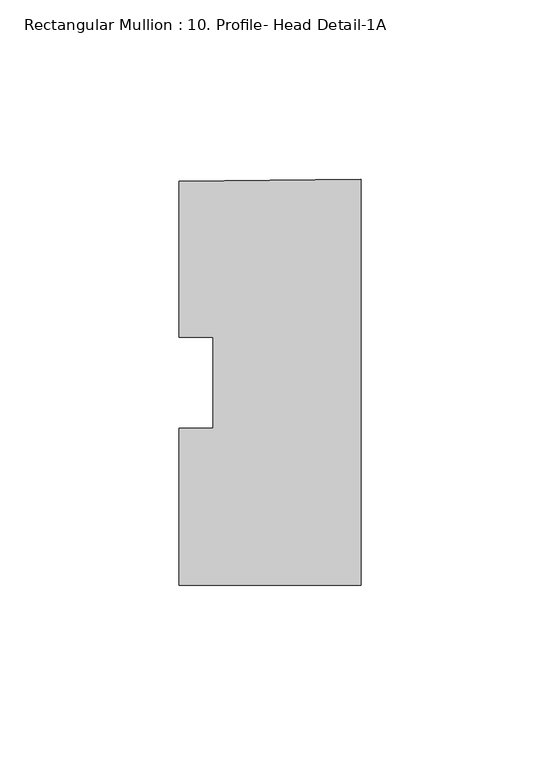
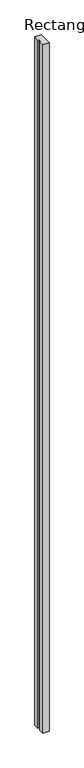
"""IFC4 building model written with IfcOpenShell, lengths in millimetres: member geometry, Rectangular Mullion : 10. Profile- Head Detail-1A."""

from ifc_helpers import new_model, si_unit, frame, origin, place, context, project, spatial, polyline, outline, extrude, source, transform, mapped, element, save


def rectangular_mullion_10_profile_head_detail_1a_fe054080(model_context):
    return source(origin(), model_context, "Body", "SweptSolid", [
        extrude(outline(polyline([(0.0, 56.93103), (0.0, -56.4442518), (-50.8, -56.4443153), (-50.8, -12.6589179), (-41.275, -12.6589179), (-41.275, 12.8287804), (-50.8, 12.8287804), (-50.8, 56.2620221), (0.0, 56.93103)])), frame((0.0, 0.0, -6000.75), z_axis=(0.0, 0.0, 1.0), x_axis=(1.0, 0.0, 0.0)), (0.0, 0.0, 1.0), 6000.75),
    ])


if __name__ == "__main__":
    model = new_model("IFC4")
    model_context = context("Model", 3, world=origin())
    ifc_project = project(units=[si_unit("LENGTHUNIT", "METRE", prefix="MILLI")], contexts=[model_context])
    site = spatial("IfcSite", under=ifc_project)
    building = spatial("IfcBuilding", under=site)
    placement = place(None, origin())
    rectangular_mullion_10_profile_head_detail_1a_shape = rectangular_mullion_10_profile_head_detail_1a_fe054080(model_context)
    element("IfcMember", 1, ObjectType="Rectangular Mullion : 10. Profile- Head Detail-1A", at=placement, inside=building, context=model_context, shape_type="MappedRepresentation", body=[
        mapped(rectangular_mullion_10_profile_head_detail_1a_shape, transform((0.0, 0.0, 0.0), x_axis=(1.0, 0.0, 0.0), y_axis=(0.0, 1.0, 0.0), z_axis=(0.0, 0.0, 1.0))),
    ])
    save(model, "model.ifc")
